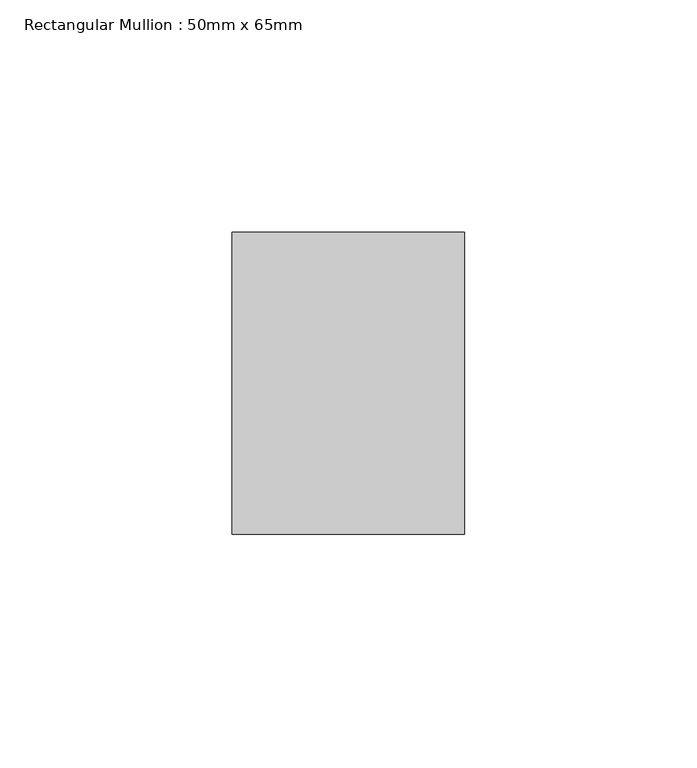
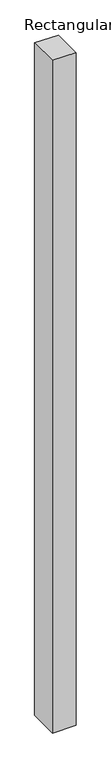
"""IFC4 building model written with IfcOpenShell, lengths in millimetres: member geometry, Rectangular Mullion : 50mm x 65mm."""

from ifc_helpers import new_model, si_unit, origin, place, context, project, spatial, faceted_brep, source, transform, mapped, element, save


def rectangular_mullion_50mm_x_65mm_cf4d2488(model_context):
    return source(origin(), model_context, "Body", "Brep", [
        faceted_brep([(-25.0, 32.5, -0.2027378), (25.0, 32.5, -0.2027383), (25.0, 32.5, -1499.8926614), (-25.0, 32.5, -1499.8926616), (-25.0, -32.5, 0.2027383), (-25.0, -32.5, -1500.1073226), (25.0, -32.5, 0.2027378), (25.0, -32.5, -1500.1073225)], [[[0, 1, 2, 3]], [[4, 0, 3, 5]], [[6, 4, 5, 7]], [[1, 6, 7, 2]], [[1, 0, 4, 6]], [[2, 7, 5, 3]]]),
    ])


if __name__ == "__main__":
    model = new_model("IFC4")
    model_context = context("Model", 3, world=origin())
    ifc_project = project(units=[si_unit("LENGTHUNIT", "METRE", prefix="MILLI")], contexts=[model_context])
    site = spatial("IfcSite", under=ifc_project)
    building = spatial("IfcBuilding", under=site)
    placement = place(None, origin())
    rectangular_mullion_50mm_x_65mm_shape = rectangular_mullion_50mm_x_65mm_cf4d2488(model_context)
    element("IfcMember", 1, ObjectType="Rectangular Mullion : 50mm x 65mm", at=placement, inside=building, context=model_context, shape_type="MappedRepresentation", body=[
        mapped(rectangular_mullion_50mm_x_65mm_shape, transform((0.0, 0.0, 0.0), x_axis=(1.0, 0.0, 0.0), y_axis=(0.0, 1.0, 0.0), z_axis=(0.0, 0.0, 1.0))),
    ])
    save(model, "model.ifc")
